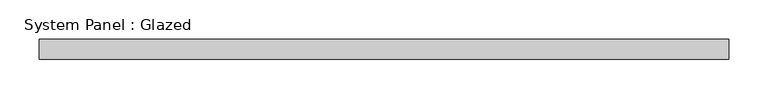
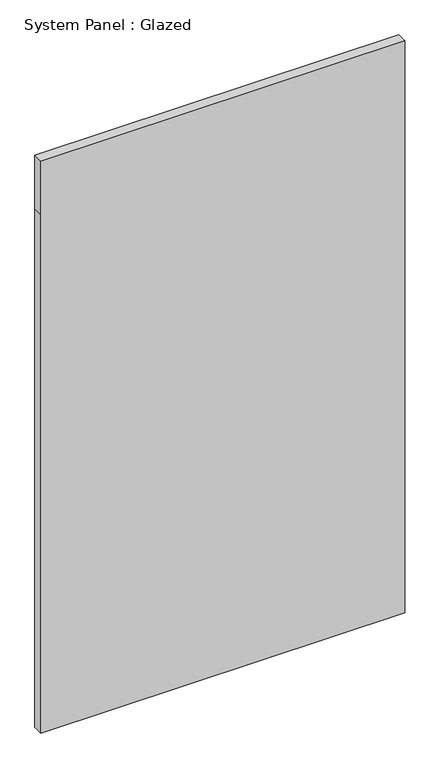
"""IFC4 building model written with IfcOpenShell, lengths in millimetres: plate geometry, System Panel : Glazed."""

from ifc_helpers import new_model, si_unit, frame, origin, place, context, project, spatial, polyline, outline, extrude, source, transform, mapped, element, save


def system_panel_glazed_450c2ccd(model_context):
    return source(origin(), model_context, "Body", "SweptSolid", [
        extrude(outline(polyline([(0.0, -436.6666667), (0.0, 436.6666667), (1315.0, 436.6666667), (1450.0, 436.6666667), (1450.0, -436.6666667), (1315.0, -436.6666667), (0.0, -436.6666667)])), frame((0.0, 24.5, 0.0), z_axis=(0.0, 1.0, 0.0), x_axis=(0.0, 0.0, 1.0)), (0.0, 0.0, 1.0), 25.0),
    ])


if __name__ == "__main__":
    model = new_model("IFC4")
    model_context = context("Model", 3, world=origin())
    ifc_project = project(units=[si_unit("LENGTHUNIT", "METRE", prefix="MILLI")], contexts=[model_context])
    site = spatial("IfcSite", under=ifc_project)
    building = spatial("IfcBuilding", under=site)
    placement = place(None, origin())
    system_panel_glazed_shape = system_panel_glazed_450c2ccd(model_context)
    element("IfcPlate", 1, ObjectType="System Panel : Glazed", at=placement, inside=building, context=model_context, shape_type="MappedRepresentation", body=[
        mapped(system_panel_glazed_shape, transform((0.0, 0.0, 0.0), x_axis=(1.0, 0.0, 0.0), y_axis=(0.0, 1.0, 0.0), z_axis=(0.0, 0.0, 1.0))),
    ])
    save(model, "model.ifc")
